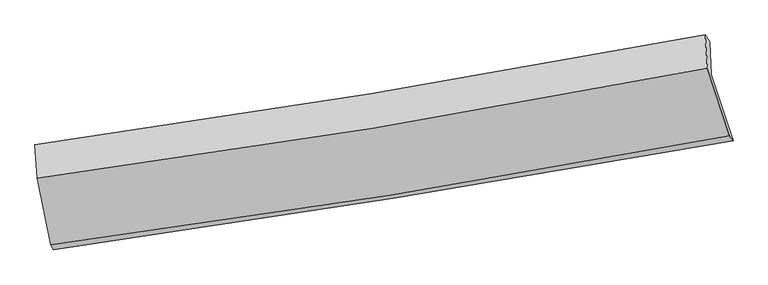
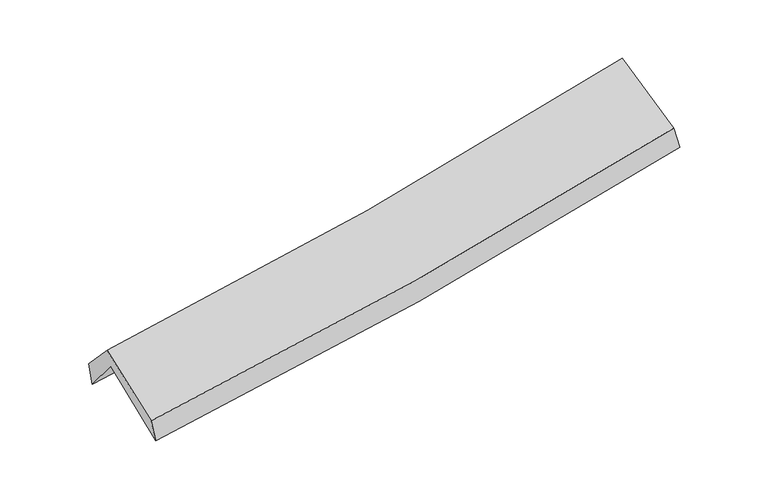
"""IFC4 building model written with IfcOpenShell, lengths in millimetres: proxy geometry."""

from ifc_helpers import new_model, si_unit, frame, origin, place, context, project, spatial, source, transform, mapped, element, save
from ifc_brep_helpers import plane_surface, spline_curve, spline_surface, advanced_brep


def generic_models_7f2643c2(model_context):
    return source(origin(), model_context, "Body", "AdvancedBrep", [
        advanced_brep(
        [(-2464.0864279, -2489.5357096, 1487.7241135), (-2569.8987802, -1979.9897229, 1915.929481), (2494.9706194, -1173.2230848, 2376.5283368), (2658.7194663, -1668.4905403, 1952.1618384), (-2584.0223662, -1721.4467137, 1593.1452738), (2483.0640121, -921.2278941, 2054.5380101), (-2600.7939402, -1700.4738973, 1780.2491371), (2448.5070054, -871.6541681, 2233.8588396), (-2583.9292079, -1952.6133706, 2052.8482083), (2464.9814868, -1122.9426556, 2520.2860987), (-2482.1525254, -2451.0102171, 1657.4956001), (2628.7185062, -1629.9934986, 2115.2589787)],
        [
            (0, 1),
            (1, 2, spline_curve(3, [(-2569.8987802, -1979.9897229, 1915.929481), (-1720.949389062, -1868.778051192, 1966.330501288), (-875.129033884, -1746.078261094, 2029.824906161), (813.18255523, -1477.236045994, 2183.266682304), (1655.651999698, -1331.013623425, 2273.305229408), (2494.9706194, -1173.2230848, 2376.5283368)], [4, 2, 4], [0.0, 8.483509881053042, 16.996505973166233])),
            (2, 3),
            (3, 0, spline_curve(3, [(2658.7194663, -1668.4905403, 1952.1618384), (1808.217205869, -1820.74954689, 1838.995669903), (955.320834283, -1965.405011067, 1743.673200627), (-752.297686508, -2239.03415327, 1588.984020883), (-1607.003279653, -2368.060411924, 1529.493915254), (-2464.0864279, -2489.5357096, 1487.7241135)], [4, 2, 4], [0.0, 8.512996092113191, 16.996505973166233])),
            (1, 4),
            (4, 5, spline_curve(3, [(-2584.0223662, -1721.4467137, 1593.1452738), (-1734.512502229, -1611.548585036, 1641.273885325), (-888.227316779, -1490.05046577, 1703.696042348), (800.823931314, -1223.391635941, 1857.394087902), (1643.567538144, -1078.150148426, 1948.769509941), (2483.0640121, -921.2278941, 2054.5380101)], [4, 2, 4], [0.0, 8.435693362298085, 16.900706739355034])),
            (5, 2),
            (4, 6),
            (6, 7, spline_curve(3, [(-2600.7939402, -1700.4738973, 1780.2491371), (-1755.077819409, -1581.486526007, 1832.912923893), (-912.169777343, -1453.060754752, 1896.960264289), (770.950092088, -1176.853235916, 2048.084229145), (1611.142365023, -1029.005764152, 2135.240122611), (2448.5070054, -871.6541681, 2233.8588396)], [4, 2, 4], [0.0, 8.425174465756083, 16.87963238564837])),
            (7, 5),
            (6, 8),
            (8, 9, spline_curve(3, [(-2583.9292079, -1952.6133706, 2052.8482083), (-1737.342555734, -1838.212205228, 2108.157349801), (-894.030901004, -1712.012845366, 2174.678016748), (788.962136115, -1435.538096901, 2330.412575527), (1628.620712853, -1285.180552029, 2419.704538724), (2464.9814868, -1122.9426556, 2520.2860987)], [4, 2, 4], [0.0, 8.414607952802964, 16.858462633618693])),
            (9, 7),
            (8, 10),
            (10, 11, spline_curve(3, [(-2482.1525254, -2451.0102171, 1657.4956001), (-1626.175234317, -2339.981746272, 1709.838574001), (-773.014652906, -2216.190325399, 1774.070169756), (930.628638696, -1942.606960555, 1926.575175963), (1781.091734408, -1792.726142013, 2014.931373461), (2628.7185062, -1629.9934986, 2115.2589787)], [4, 2, 4], [0.0, 8.463724893390557, 16.956867230982944])),
            (11, 9),
            (10, 0),
            (3, 11),
        ],
        [
            spline_surface(3, 3, [[(-2464.0864279, -2489.5357096, 1487.7241135), (-1607.003279774, -2368.060411878, 1529.493915322), (-752.297686521, -2239.034153164, 1588.984020923), (955.320834296, -1965.405011174, 1743.673200587), (1808.217205808, -1820.749546777, 1838.995669943), (2658.7194663, -1668.4905403, 1952.1618384)], [(-2499.357212004, -2319.687047352, 1630.459236014), (-1644.985316216, -2201.632958326, 1675.106110621), (-793.241468922, -2074.715522481, 1735.93098266), (907.941407923, -1802.682022762, 1890.20436116), (1757.362137111, -1657.504238968, 1983.765523066), (2604.136517345, -1503.401388472, 2093.617337878)], [(-2534.627996096, -2149.838385148, 1773.194358486), (-1682.967352645, -2035.205504818, 1820.718305877), (-834.185251377, -1910.396891816, 1882.877944409), (860.561981496, -1639.959034367, 2036.735521745), (1706.507068379, -1494.258931144, 2128.535376154), (2549.553568355, -1338.312236628, 2235.072837322)], [(-2569.8987802, -1979.9897229, 1915.929481), (-1720.949389087, -1868.778051266, 1966.330501176), (-875.129033778, -1746.078261134, 2029.824906147), (813.182555124, -1477.236045954, 2183.266682318), (1655.651999682, -1331.013623335, 2273.305229276), (2494.9706194, -1173.2230848, 2376.5283368)]], [4, 4], [4, 2, 4], [0.0, 2.205724335331783], [0.0, 8.483509881053042, 16.996505973166233]),
            spline_surface(3, 3, [[(-2569.8987802, -1979.9897229, 1915.929481), (-1720.949389087, -1868.778051266, 1966.330501176), (-875.129033778, -1746.078261134, 2029.824906147), (813.182555124, -1477.236045954, 2183.266682318), (1655.651999682, -1331.013623335, 2273.305229276), (2494.9706194, -1173.2230848, 2376.5283368)], [(-2574.606642206, -1893.808719842, 1808.33474524), (-1725.470426826, -1783.034895875, 1857.978295907), (-879.495128072, -1660.735662689, 1921.11528487), (809.063013805, -1392.621242566, 2074.642484222), (1651.623845891, -1246.725798383, 2165.12665614), (2491.001750311, -1089.224687888, 2269.198227896)], [(-2579.314504194, -1807.627716758, 1700.74000956), (-1729.991464545, -1697.29174046, 1749.62609072), (-883.861222352, -1575.393064306, 1812.405663546), (804.943472499, -1308.006439238, 1966.018286078), (1647.595692065, -1162.437973465, 2056.948083016), (2487.032881189, -1005.226291012, 2161.868119004)], [(-2584.0223662, -1721.4467137, 1593.1452738), (-1734.512502284, -1611.548585069, 1641.273885451), (-888.227316645, -1490.050465861, 1703.69604227), (800.82393118, -1223.39163585, 1857.394087982), (1643.567538274, -1078.150148513, 1948.76950988), (2483.0640121, -921.2278941, 2054.5380101)]], [4, 4], [4, 2, 4], [0.0, 1.3583970617723098], [0.0, 8.435693362298085, 16.900706739355034]),
            spline_surface(3, 3, [[(-2584.0223662, -1721.4467137, 1593.1452738), (-1734.512502284, -1611.548585069, 1641.273885451), (-888.227316645, -1490.050465861, 1703.69604227), (800.82393118, -1223.39163585, 1857.394087982), (1643.567538274, -1078.150148513, 1948.76950988), (2483.0640121, -921.2278941, 2054.5380101)], [(-2589.612890858, -1714.455774902, 1655.513228249), (-1741.367607945, -1601.527898742, 1705.153564903), (-896.208136855, -1477.720562159, 1768.117449617), (790.865984785, -1207.878835889, 1920.957468366), (1632.759147238, -1061.768687081, 2010.926380833), (2471.545009874, -904.703318759, 2114.31161994)], [(-2595.203415542, -1707.464836098, 1717.881182651), (-1748.222713631, -1591.50721241, 1769.033244308), (-904.188957052, -1465.390658429, 1832.538856958), (780.908038403, -1192.366035901, 1984.520848744), (1621.950756179, -1045.387225671, 2073.083251765), (2460.026007626, -888.178743441, 2174.08522976)], [(-2600.7939402, -1700.4738973, 1780.2491371), (-1755.077819293, -1581.486526083, 1832.91292376), (-912.169777262, -1453.060754727, 1896.960264305), (770.950092007, -1176.853235941, 2048.084229128), (1611.142365143, -1029.005764238, 2135.240122718), (2448.5070054, -871.6541681, 2233.8588396)]], [4, 4], [4, 2, 4], [0.0, 0.6505975364617869], [0.0, 8.425174465756083, 16.87963238564837]),
            spline_surface(3, 3, [[(-2600.7939402, -1700.4738973, 1780.2491371), (-1755.077819293, -1581.486526083, 1832.91292376), (-912.169777262, -1453.060754727, 1896.960264305), (770.950092007, -1176.853235941, 2048.084229128), (1611.142365143, -1029.005764238, 2135.240122718), (2448.5070054, -871.6541681, 2233.8588396)], [(-2595.172362764, -1784.520388386, 1871.115494172), (-1749.166064734, -1667.061752459, 1924.661065811), (-906.123485163, -1539.378118256, 1989.532848449), (776.954106682, -1263.081522968, 2142.193677899), (1616.968481056, -1114.397360135, 2230.061594716), (2453.998499173, -955.416997255, 2329.334592632)], [(-2589.550785336, -1868.566879514, 1961.981851228), (-1743.254310183, -1752.636978878, 2016.409207847), (-900.077193041, -1625.695481751, 2082.105432641), (782.958121378, -1349.309809961, 2236.303126719), (1622.79459705, -1199.788956066, 2324.883066718), (2459.489993027, -1039.179826445, 2424.810345668)], [(-2583.9292079, -1952.6133706, 2052.8482083), (-1737.342555625, -1838.212205253, 2108.157349898), (-894.030900942, -1712.012845279, 2174.678016785), (788.962136053, -1435.538096988, 2330.41257549), (1628.620712962, -1285.180551963, 2419.704538716), (2464.9814868, -1122.9426556, 2520.2860987)]], [4, 4], [4, 2, 4], [0.0, 1.2524511376652532], [0.0, 8.414607952802964, 16.858462633618693]),
            spline_surface(3, 3, [[(-2583.9292079, -1952.6133706, 2052.8482083), (-1737.342555625, -1838.212205253, 2108.157349898), (-894.030900942, -1712.012845279, 2174.678016785), (788.962136053, -1435.538096988, 2330.41257549), (1628.620712962, -1285.180551963, 2419.704538716), (2464.9814868, -1122.9426556, 2520.2860987)], [(-2550.003647059, -2118.745652784, 1921.064005557), (-1700.286781826, -2005.468718902, 1975.384424587), (-853.69215154, -1880.072005285, 2041.142067734), (836.184303574, -1604.561051521, 2195.80010903), (1679.444386764, -1454.362415309, 2284.780150241), (2519.560493288, -1291.959603293, 2385.27705869)], [(-2516.078086241, -2284.877934916, 1789.279802843), (-1663.231008049, -2172.7252325, 1842.611499304), (-813.353402184, -2048.131165326, 1907.606118672), (883.406471051, -1773.584006089, 2061.187642558), (1730.2680605, -1623.544278576, 2149.855761795), (2574.139499712, -1460.976550907, 2250.26801871)], [(-2482.1525254, -2451.0102171, 1657.4956001), (-1626.17523425, -2339.981746148, 1709.838573994), (-773.014652783, -2216.190325332, 1774.070169621), (930.628638572, -1942.606960622, 1926.575176098), (1781.091734302, -1792.726141921, 2014.931373319), (2628.7185062, -1629.9934986, 2115.2589787)]], [4, 4], [4, 2, 4], [0.0, 2.1631345653893708], [0.0, 8.463724893390557, 16.956867230982944]),
            spline_surface(3, 3, [[(-2482.1525254, -2451.0102171, 1657.4956001), (-1626.17523425, -2339.981746148, 1709.838573994), (-773.014652783, -2216.190325332, 1774.070169621), (930.628638572, -1942.606960622, 1926.575176098), (1781.091734302, -1792.726141921, 2014.931373319), (2628.7185062, -1629.9934986, 2115.2589787)], [(-2476.130492908, -2463.852047935, 1600.905104568), (-1619.784582766, -2349.341301393, 1649.723687771), (-766.108997379, -2223.804934627, 1712.37478672), (938.859370463, -1950.206310823, 1865.607850926), (1790.133558112, -1802.067276872, 1956.286138857), (2638.718826208, -1642.825845832, 2060.893265263)], [(-2470.108460392, -2476.693878765, 1544.314609032), (-1613.393931259, -2358.700856634, 1589.608801545), (-759.203341924, -2231.419543869, 1650.679403824), (947.090102405, -1957.805660973, 1804.640525759), (1799.175381998, -1811.408411826, 1897.640904405), (2648.719146292, -1655.658193068, 2006.527551837)], [(-2464.0864279, -2489.5357096, 1487.7241135), (-1607.003279774, -2368.060411878, 1529.493915322), (-752.297686521, -2239.034153164, 1588.984020923), (955.320834296, -1965.405011174, 1743.673200587), (1808.217205808, -1820.749546777, 1838.995669943), (2658.7194663, -1668.4905403, 1952.1618384)]], [4, 4], [4, 2, 4], [0.0, 0.6128149296472994], [0.0, 8.522130223672455, 17.073880891474822]),
            plane_surface(frame((2529.8268494, -1231.2553069, 2208.7720171), z_axis=(0.9691580712523479, 0.210188768126231, 0.12865968552739), x_axis=(0.24464061142682783, -0.7575881659543875, -0.605153816848721))),
            plane_surface(frame((-2547.4805413, -2049.1782719, 1747.8986356), z_axis=(-0.9869064590086074, -0.14418032597225292, -0.07230266087514974), x_axis=(-0.10322143726036263, 0.220117084639752, 0.9699968061491756))),
        ],
        [
            (0, [[1, 2, 3, 4]]),
            (1, [[5, 6, 7, -2]]),
            (2, [[8, 9, 10, -6]]),
            (3, [[11, 12, 13, -9]]),
            (4, [[14, 15, 16, -12]]),
            (5, [[17, -4, 18, -15]]),
            (6, [[-16, -18, -3, -7, -10, -13]]),
            (7, [[-17, -14, -11, -8, -5, -1]]),
        ],
    ),
    ])


if __name__ == "__main__":
    model = new_model("IFC4")
    model_context = context("Model", 3, world=origin())
    ifc_project = project(units=[si_unit("LENGTHUNIT", "METRE", prefix="MILLI")], contexts=[model_context])
    site = spatial("IfcSite", under=ifc_project)
    building = spatial("IfcBuilding", under=site)
    placement = place(None, origin())
    generic_models_shape = generic_models_7f2643c2(model_context)
    element("IfcBuildingElementProxy", 1, Name="Generic Models", at=placement, inside=building, context=model_context, shape_type="MappedRepresentation", body=[
        mapped(generic_models_shape, transform((0.0, 0.0, 0.0), x_axis=(1.0, 0.0, 0.0), y_axis=(0.0, 1.0, 0.0), z_axis=(0.0, 0.0, 1.0))),
    ])
    save(model, "model.ifc")
